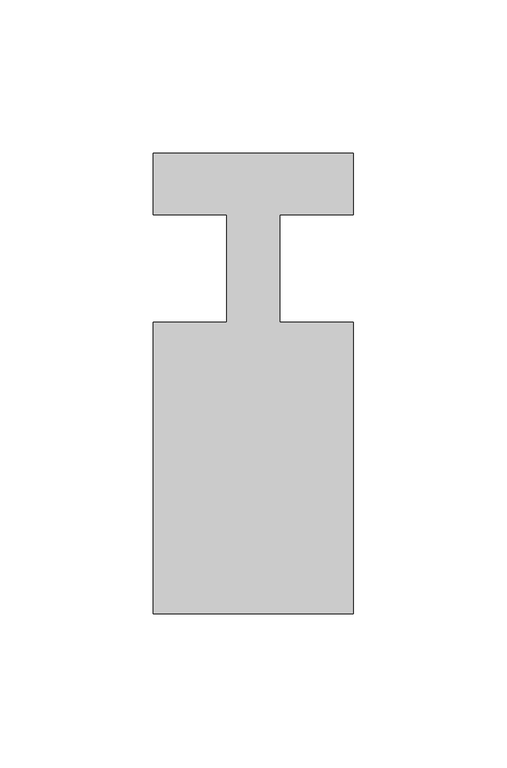
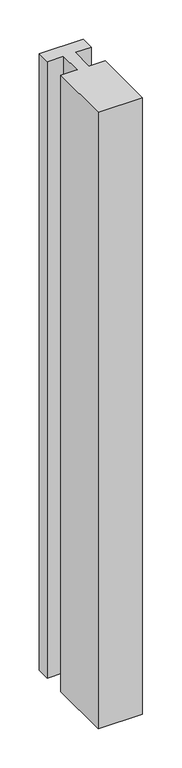
"""IFC4 building model written with IfcOpenShell, lengths in millimetres: member geometry."""

from ifc_helpers import new_model, si_unit, frame, origin, place, context, project, spatial, polyline, outline, extrude, source, transform, mapped, element, save


def member_1f51d972(model_context):
    return source(origin(), model_context, "Body", "SweptSolid", [
        extrude(outline(polyline([(0.0, 37.0), (0.0, 17.0), (-23.8125, 17.0), (-23.8125, -18.0), (0.0, -18.0), (0.0, -113.0), (-65.0, -113.0), (-65.0, -18.0), (-41.1875, -18.0), (-41.1875, 17.0), (-65.0, 17.0), (-65.0, 37.0), (0.0, 37.0)])), frame((0.0, 0.0, -958.8125), z_axis=(0.0, 0.0, 1.0), x_axis=(1.0, 0.0, 0.0)), (0.0, 0.0, 1.0), 958.8125),
    ])


if __name__ == "__main__":
    model = new_model("IFC4")
    model_context = context("Model", 3, world=origin())
    ifc_project = project(units=[si_unit("LENGTHUNIT", "METRE", prefix="MILLI")], contexts=[model_context])
    site = spatial("IfcSite", under=ifc_project)
    building = spatial("IfcBuilding", under=site)
    placement = place(None, origin())
    member_shape = member_1f51d972(model_context)
    element("IfcMember", 1, at=placement, inside=building, context=model_context, shape_type="MappedRepresentation", body=[
        mapped(member_shape, transform((0.0, 0.0, 0.0), x_axis=(1.0, 0.0, 0.0), y_axis=(0.0, 1.0, 0.0), z_axis=(0.0, 0.0, 1.0))),
    ])
    save(model, "model.ifc")
